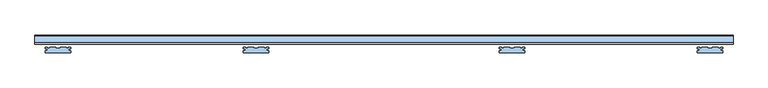
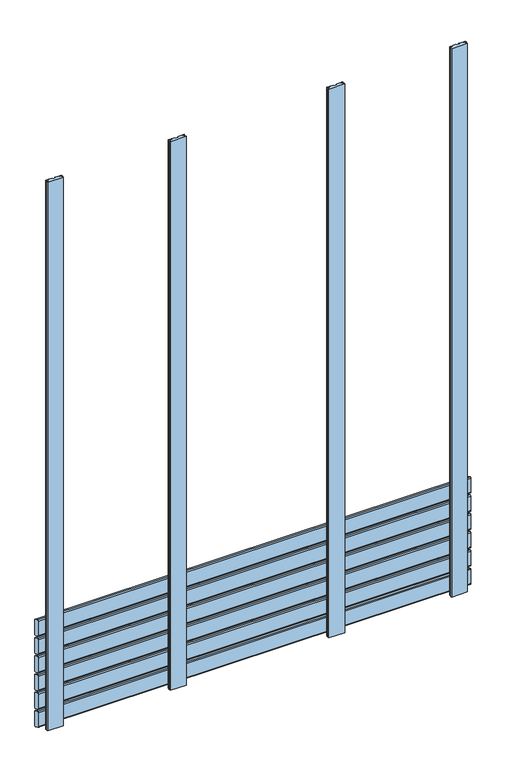
"""IFC4 building model written with IfcOpenShell, lengths in millimetres: window geometry."""

from ifc_helpers import new_model, si_unit, frame, origin, place, context, project, spatial, polyline, circle_curve, outline, extrude, source, transform, mapped, element, save
from ifc_brep_helpers import plane_surface, cylinder_surface, advanced_brep


def window_051f3a6d(model_context):
    return source(origin(), model_context, "Body", "SolidModel", [
        advanced_brep(
        [(750.0, 118.0028013, 446.5270549), (750.0, 119.7349465, 443.8081315), (750.0, 133.7322609, 437.2810766), (750.0, 138.0, 439.9736586), (750.0, 138.0, 492.574129), (750.0, 136.9038327, 494.8926244), (750.0, 122.1873858, 501.7550163), (750.0, 118.0, 499.0), (-750.0, 118.0, 446.5270549), (-750.0, 118.0, 499.0), (-750.0, 122.1873858, 501.7550163), (-750.0, 136.9038327, 494.8926244), (-750.0, 138.0, 492.574129), (-750.0, 138.0, 439.9736586), (-750.0, 133.7322609, 437.2810766), (-750.0, 119.7349465, 443.8081315)],
        [
            (0, 1, circle_curve(frame((750.0, 121.0028013, 446.5270549), z_axis=(1.0, 0.0, 0.0), x_axis=(0.0, -0.422245314833475, -0.9064816016341312)), 3.0)),
            (1, 2),
            (2, 3, circle_curve(frame((750.0, 135.0001156, 440.0), z_axis=(1.0, 0.0, 0.0), x_axis=(0.0, 1.0, 0.0)), 3.0)),
            (3, 4),
            (4, 5, circle_curve(frame((750.0, 135.0, 492.574129), z_axis=(1.0, 0.0, 0.0), x_axis=(0.0, 0.4172998244673827, 0.908768868579625)), 3.0)),
            (5, 6),
            (6, 7, circle_curve(frame((750.0, 121.0, 499.0), z_axis=(1.0, 0.0, 0.0), x_axis=(0.0, -1.0, 0.0)), 3.0)),
            (7, 0),
            (8, 9),
            (9, 10, circle_curve(frame((-750.0, 121.0, 499.0), z_axis=(-1.0, 0.0, 0.0), x_axis=(0.0, -1.0, 0.0)), 3.0)),
            (10, 11),
            (11, 12, circle_curve(frame((-750.0, 135.0, 492.574129), z_axis=(-1.0, 0.0, 0.0), x_axis=(0.0, 0.4172998244673827, 0.908768868579625)), 3.0)),
            (12, 13),
            (13, 14, circle_curve(frame((-750.0, 135.0001156, 440.0), z_axis=(-1.0, 0.0, 0.0), x_axis=(0.0, 1.0, 0.0)), 3.0)),
            (14, 15),
            (15, 8, circle_curve(frame((-750.0, 121.0028013, 446.5270549), z_axis=(-1.0, 0.0, 0.0), x_axis=(0.0, -0.422245314833475, -0.9064816016341312)), 3.0)),
            (0, 8),
            (15, 1),
            (14, 2),
            (13, 3),
            (12, 4),
            (11, 5),
            (10, 6),
            (9, 7),
        ],
        [
            plane_surface(frame((750.0, 100.0, 469.5), z_axis=(1.0, 0.0, 0.0), x_axis=(0.0, 0.0, 1.0))),
            plane_surface(frame((-750.0, 100.0, 469.5), z_axis=(-1.0, 0.0, 0.0), x_axis=(0.0, 0.0, 1.0))),
            cylinder_surface(frame((750.0, 121.0028013, 446.5270549), z_axis=(1.0, 0.0, 0.0), x_axis=(0.0, -0.422245314833475, -0.9064816016341312)), 3.0),
            plane_surface(frame((750.0, 119.7349465, 443.8081315), z_axis=(0.0, -0.4226182617407, -0.9063077870366497), x_axis=(-1.0, 0.0, 0.0))),
            cylinder_surface(frame((750.0, 135.0001156, 440.0), z_axis=(1.0, 0.0, 0.0), x_axis=(0.0, 1.0, 0.0)), 3.0),
            plane_surface(frame((750.0, 138.0, 439.9736586), z_axis=(0.0, 1.0, 0.0), x_axis=(-1.0, 0.0, 0.0))),
            cylinder_surface(frame((750.0, 135.0, 492.574129), z_axis=(1.0000000000000002, 0.0, 0.0), x_axis=(0.0, 0.4172998244673827, 0.908768868579625)), 3.0),
            plane_surface(frame((750.0, 136.9038327, 494.8926244), z_axis=(0.0, 0.4226182617406934, 0.9063077870366529), x_axis=(-1.0, 0.0, 0.0))),
            cylinder_surface(frame((750.0, 121.0, 499.0), z_axis=(1.0, 0.0, 0.0), x_axis=(0.0, -1.0, 0.0)), 3.0),
            plane_surface(frame((750.0, 118.0, 499.0), z_axis=(0.0, -1.0, 0.0), x_axis=(-1.0, 0.0, 0.0))),
        ],
        [
            (0, [[1, 2, 3, 4, 5, 6, 7, 8]]),
            (1, [[9, 10, 11, 12, 13, 14, 15, 16]]),
            (2, [[-1, 17, -16, 18]]),
            (3, [[-2, -18, -15, 19]]),
            (4, [[-3, -19, -14, 20]]),
            (5, [[-4, -20, -13, 21]]),
            (6, [[-5, -21, -12, 22]]),
            (7, [[-6, -22, -11, 23]]),
            (8, [[-7, -23, -10, 24]]),
            (9, [[-8, -24, -9, -17]]),
        ],
    ),
        advanced_brep(
        [(750.0, 118.0028013, 379.5270549), (750.0, 119.7349465, 376.8081315), (750.0, 133.7322609, 370.2810766), (750.0, 138.0, 372.9736586), (750.0, 138.0, 425.574129), (750.0, 136.9038327, 427.8926244), (750.0, 122.1873858, 434.7550163), (750.0, 118.0, 432.0), (-750.0, 118.0, 379.5270549), (-750.0, 118.0, 432.0), (-750.0, 122.1873858, 434.7550163), (-750.0, 136.9038327, 427.8926244), (-750.0, 138.0, 425.574129), (-750.0, 138.0, 372.9736586), (-750.0, 133.7322609, 370.2810766), (-750.0, 119.7349465, 376.8081315)],
        [
            (0, 1, circle_curve(frame((750.0, 121.0028013, 379.5270549), z_axis=(1.0, 0.0, 0.0), x_axis=(0.0, -0.422245314833475, -0.9064816016341312)), 3.0)),
            (1, 2),
            (2, 3, circle_curve(frame((750.0, 135.0001156, 373.0), z_axis=(1.0, 0.0, 0.0), x_axis=(0.0, 1.0, 0.0)), 3.0)),
            (3, 4),
            (4, 5, circle_curve(frame((750.0, 135.0, 425.574129), z_axis=(1.0, 0.0, 0.0), x_axis=(0.0, 0.4172998244673827, 0.908768868579625)), 3.0)),
            (5, 6),
            (6, 7, circle_curve(frame((750.0, 121.0, 432.0), z_axis=(1.0, 0.0, 0.0), x_axis=(0.0, -1.0, 0.0)), 3.0)),
            (7, 0),
            (8, 9),
            (9, 10, circle_curve(frame((-750.0, 121.0, 432.0), z_axis=(-1.0, 0.0, 0.0), x_axis=(0.0, -1.0, 0.0)), 3.0)),
            (10, 11),
            (11, 12, circle_curve(frame((-750.0, 135.0, 425.574129), z_axis=(-1.0, 0.0, 0.0), x_axis=(0.0, 0.4172998244673827, 0.908768868579625)), 3.0)),
            (12, 13),
            (13, 14, circle_curve(frame((-750.0, 135.0001156, 373.0), z_axis=(-1.0, 0.0, 0.0), x_axis=(0.0, 1.0, 0.0)), 3.0)),
            (14, 15),
            (15, 8, circle_curve(frame((-750.0, 121.0028013, 379.5270549), z_axis=(-1.0, 0.0, 0.0), x_axis=(0.0, -0.422245314833475, -0.9064816016341312)), 3.0)),
            (0, 8),
            (15, 1),
            (14, 2),
            (13, 3),
            (12, 4),
            (11, 5),
            (10, 6),
            (9, 7),
        ],
        [
            plane_surface(frame((750.0, 100.0, 402.5), z_axis=(1.0, 0.0, 0.0), x_axis=(0.0, 0.0, 1.0))),
            plane_surface(frame((-750.0, 100.0, 402.5), z_axis=(-1.0, 0.0, 0.0), x_axis=(0.0, 0.0, 1.0))),
            cylinder_surface(frame((750.0, 121.0028013, 379.5270549), z_axis=(1.0, 0.0, 0.0), x_axis=(0.0, -0.422245314833475, -0.9064816016341312)), 3.0),
            plane_surface(frame((750.0, 119.7349465, 376.8081315), z_axis=(0.0, -0.4226182617407, -0.9063077870366497), x_axis=(-1.0, 0.0, 0.0))),
            cylinder_surface(frame((750.0, 135.0001156, 373.0), z_axis=(1.0, 0.0, 0.0), x_axis=(0.0, 1.0, 0.0)), 3.0),
            plane_surface(frame((750.0, 138.0, 372.9736586), z_axis=(0.0, 1.0, 0.0), x_axis=(-1.0, 0.0, 0.0))),
            cylinder_surface(frame((750.0, 135.0, 425.574129), z_axis=(1.0000000000000002, 0.0, 0.0), x_axis=(0.0, 0.4172998244673827, 0.908768868579625)), 3.0),
            plane_surface(frame((750.0, 136.9038327, 427.8926244), z_axis=(0.0, 0.4226182617406934, 0.9063077870366529), x_axis=(-1.0, 0.0, 0.0))),
            cylinder_surface(frame((750.0, 121.0, 432.0), z_axis=(1.0, 0.0, 0.0), x_axis=(0.0, -1.0, 0.0)), 3.0),
            plane_surface(frame((750.0, 118.0, 432.0), z_axis=(0.0, -1.0, 0.0), x_axis=(-1.0, 0.0, 0.0))),
        ],
        [
            (0, [[1, 2, 3, 4, 5, 6, 7, 8]]),
            (1, [[9, 10, 11, 12, 13, 14, 15, 16]]),
            (2, [[-1, 17, -16, 18]]),
            (3, [[-2, -18, -15, 19]]),
            (4, [[-3, -19, -14, 20]]),
            (5, [[-4, -20, -13, 21]]),
            (6, [[-5, -21, -12, 22]]),
            (7, [[-6, -22, -11, 23]]),
            (8, [[-7, -23, -10, 24]]),
            (9, [[-8, -24, -9, -17]]),
        ],
    ),
        advanced_brep(
        [(750.0, 118.0028013, 312.5270549), (750.0, 119.7349465, 309.8081315), (750.0, 133.7322609, 303.2810766), (750.0, 138.0, 305.9736586), (750.0, 138.0, 358.574129), (750.0, 136.9038327, 360.8926244), (750.0, 122.1873858, 367.7550163), (750.0, 118.0, 365.0), (-750.0, 118.0, 312.5270549), (-750.0, 118.0, 365.0), (-750.0, 122.1873858, 367.7550163), (-750.0, 136.9038327, 360.8926244), (-750.0, 138.0, 358.574129), (-750.0, 138.0, 305.9736586), (-750.0, 133.7322609, 303.2810766), (-750.0, 119.7349465, 309.8081315)],
        [
            (0, 1, circle_curve(frame((750.0, 121.0028013, 312.5270549), z_axis=(1.0, 0.0, 0.0), x_axis=(0.0, -0.422245314833475, -0.9064816016341312)), 3.0)),
            (1, 2),
            (2, 3, circle_curve(frame((750.0, 135.0001156, 306.0), z_axis=(1.0, 0.0, 0.0), x_axis=(0.0, 1.0, 0.0)), 3.0)),
            (3, 4),
            (4, 5, circle_curve(frame((750.0, 135.0, 358.574129), z_axis=(1.0, 0.0, 0.0), x_axis=(0.0, 0.4172998244673827, 0.908768868579625)), 3.0)),
            (5, 6),
            (6, 7, circle_curve(frame((750.0, 121.0, 365.0), z_axis=(1.0, 0.0, 0.0), x_axis=(0.0, -1.0, 0.0)), 3.0)),
            (7, 0),
            (8, 9),
            (9, 10, circle_curve(frame((-750.0, 121.0, 365.0), z_axis=(-1.0, 0.0, 0.0), x_axis=(0.0, -1.0, 0.0)), 3.0)),
            (10, 11),
            (11, 12, circle_curve(frame((-750.0, 135.0, 358.574129), z_axis=(-1.0, 0.0, 0.0), x_axis=(0.0, 0.4172998244673827, 0.908768868579625)), 3.0)),
            (12, 13),
            (13, 14, circle_curve(frame((-750.0, 135.0001156, 306.0), z_axis=(-1.0, 0.0, 0.0), x_axis=(0.0, 1.0, 0.0)), 3.0)),
            (14, 15),
            (15, 8, circle_curve(frame((-750.0, 121.0028013, 312.5270549), z_axis=(-1.0, 0.0, 0.0), x_axis=(0.0, -0.422245314833475, -0.9064816016341312)), 3.0)),
            (0, 8),
            (15, 1),
            (14, 2),
            (13, 3),
            (12, 4),
            (11, 5),
            (10, 6),
            (9, 7),
        ],
        [
            plane_surface(frame((750.0, 100.0, 335.5), z_axis=(1.0, 0.0, 0.0), x_axis=(0.0, 0.0, 1.0))),
            plane_surface(frame((-750.0, 100.0, 335.5), z_axis=(-1.0, 0.0, 0.0), x_axis=(0.0, 0.0, 1.0))),
            cylinder_surface(frame((750.0, 121.0028013, 312.5270549), z_axis=(1.0, 0.0, 0.0), x_axis=(0.0, -0.422245314833475, -0.9064816016341312)), 3.0),
            plane_surface(frame((750.0, 119.7349465, 309.8081315), z_axis=(0.0, -0.4226182617407, -0.9063077870366497), x_axis=(-1.0, 0.0, 0.0))),
            cylinder_surface(frame((750.0, 135.0001156, 306.0), z_axis=(1.0, 0.0, 0.0), x_axis=(0.0, 1.0, 0.0)), 3.0),
            plane_surface(frame((750.0, 138.0, 305.9736586), z_axis=(0.0, 1.0, 0.0), x_axis=(-1.0, 0.0, 0.0))),
            cylinder_surface(frame((750.0, 135.0, 358.574129), z_axis=(1.0000000000000002, 0.0, 0.0), x_axis=(0.0, 0.4172998244673827, 0.908768868579625)), 3.0),
            plane_surface(frame((750.0, 136.9038327, 360.8926244), z_axis=(0.0, 0.4226182617406934, 0.9063077870366529), x_axis=(-1.0, 0.0, 0.0))),
            cylinder_surface(frame((750.0, 121.0, 365.0), z_axis=(1.0, 0.0, 0.0), x_axis=(0.0, -1.0, 0.0)), 3.0),
            plane_surface(frame((750.0, 118.0, 365.0), z_axis=(0.0, -1.0, 0.0), x_axis=(-1.0, 0.0, 0.0))),
        ],
        [
            (0, [[1, 2, 3, 4, 5, 6, 7, 8]]),
            (1, [[9, 10, 11, 12, 13, 14, 15, 16]]),
            (2, [[-1, 17, -16, 18]]),
            (3, [[-2, -18, -15, 19]]),
            (4, [[-3, -19, -14, 20]]),
            (5, [[-4, -20, -13, 21]]),
            (6, [[-5, -21, -12, 22]]),
            (7, [[-6, -22, -11, 23]]),
            (8, [[-7, -23, -10, 24]]),
            (9, [[-8, -24, -9, -17]]),
        ],
    ),
        advanced_brep(
        [(750.0, 118.0028013, 245.5270549), (750.0, 119.7349465, 242.8081315), (750.0, 133.7322609, 236.2810766), (750.0, 138.0, 238.9736586), (750.0, 138.0, 291.574129), (750.0, 136.9038327, 293.8926244), (750.0, 122.1873858, 300.7550163), (750.0, 118.0, 298.0), (-750.0, 118.0, 245.5270549), (-750.0, 118.0, 298.0), (-750.0, 122.1873858, 300.7550163), (-750.0, 136.9038327, 293.8926244), (-750.0, 138.0, 291.574129), (-750.0, 138.0, 238.9736586), (-750.0, 133.7322609, 236.2810766), (-750.0, 119.7349465, 242.8081315)],
        [
            (0, 1, circle_curve(frame((750.0, 121.0028013, 245.5270549), z_axis=(1.0, 0.0, 0.0), x_axis=(0.0, -0.422245314833475, -0.9064816016341312)), 3.0)),
            (1, 2),
            (2, 3, circle_curve(frame((750.0, 135.0001156, 239.0), z_axis=(1.0, 0.0, 0.0), x_axis=(0.0, 1.0, 0.0)), 3.0)),
            (3, 4),
            (4, 5, circle_curve(frame((750.0, 135.0, 291.574129), z_axis=(1.0, 0.0, 0.0), x_axis=(0.0, 0.4172998244673827, 0.908768868579625)), 3.0)),
            (5, 6),
            (6, 7, circle_curve(frame((750.0, 121.0, 298.0), z_axis=(1.0, 0.0, 0.0), x_axis=(0.0, -1.0, 0.0)), 3.0)),
            (7, 0),
            (8, 9),
            (9, 10, circle_curve(frame((-750.0, 121.0, 298.0), z_axis=(-1.0, 0.0, 0.0), x_axis=(0.0, -1.0, 0.0)), 3.0)),
            (10, 11),
            (11, 12, circle_curve(frame((-750.0, 135.0, 291.574129), z_axis=(-1.0, 0.0, 0.0), x_axis=(0.0, 0.4172998244673827, 0.908768868579625)), 3.0)),
            (12, 13),
            (13, 14, circle_curve(frame((-750.0, 135.0001156, 239.0), z_axis=(-1.0, 0.0, 0.0), x_axis=(0.0, 1.0, 0.0)), 3.0)),
            (14, 15),
            (15, 8, circle_curve(frame((-750.0, 121.0028013, 245.5270549), z_axis=(-1.0, 0.0, 0.0), x_axis=(0.0, -0.422245314833475, -0.9064816016341312)), 3.0)),
            (0, 8),
            (15, 1),
            (14, 2),
            (13, 3),
            (12, 4),
            (11, 5),
            (10, 6),
            (9, 7),
        ],
        [
            plane_surface(frame((750.0, 100.0, 268.5), z_axis=(1.0, 0.0, 0.0), x_axis=(0.0, 0.0, 1.0))),
            plane_surface(frame((-750.0, 100.0, 268.5), z_axis=(-1.0, 0.0, 0.0), x_axis=(0.0, 0.0, 1.0))),
            cylinder_surface(frame((750.0, 121.0028013, 245.5270549), z_axis=(1.0, 0.0, 0.0), x_axis=(0.0, -0.422245314833475, -0.9064816016341312)), 3.0),
            plane_surface(frame((750.0, 119.7349465, 242.8081315), z_axis=(0.0, -0.4226182617407, -0.9063077870366497), x_axis=(-1.0, 0.0, 0.0))),
            cylinder_surface(frame((750.0, 135.0001156, 239.0), z_axis=(1.0, 0.0, 0.0), x_axis=(0.0, 1.0, 0.0)), 3.0),
            plane_surface(frame((750.0, 138.0, 238.9736586), z_axis=(0.0, 1.0, 0.0), x_axis=(-1.0, 0.0, 0.0))),
            cylinder_surface(frame((750.0, 135.0, 291.574129), z_axis=(1.0000000000000002, 0.0, 0.0), x_axis=(0.0, 0.4172998244673827, 0.908768868579625)), 3.0),
            plane_surface(frame((750.0, 136.9038327, 293.8926244), z_axis=(0.0, 0.4226182617406934, 0.9063077870366529), x_axis=(-1.0, 0.0, 0.0))),
            cylinder_surface(frame((750.0, 121.0, 298.0), z_axis=(1.0, 0.0, 0.0), x_axis=(0.0, -1.0, 0.0)), 3.0),
            plane_surface(frame((750.0, 118.0, 298.0), z_axis=(0.0, -1.0, 0.0), x_axis=(-1.0, 0.0, 0.0))),
        ],
        [
            (0, [[1, 2, 3, 4, 5, 6, 7, 8]]),
            (1, [[9, 10, 11, 12, 13, 14, 15, 16]]),
            (2, [[-1, 17, -16, 18]]),
            (3, [[-2, -18, -15, 19]]),
            (4, [[-3, -19, -14, 20]]),
            (5, [[-4, -20, -13, 21]]),
            (6, [[-5, -21, -12, 22]]),
            (7, [[-6, -22, -11, 23]]),
            (8, [[-7, -23, -10, 24]]),
            (9, [[-8, -24, -9, -17]]),
        ],
    ),
        advanced_brep(
        [(750.0, 118.0028013, 178.5270549), (750.0, 119.7349465, 175.8081315), (750.0, 133.7322609, 169.2810766), (750.0, 138.0, 171.9736586), (750.0, 138.0, 224.574129), (750.0, 136.9038327, 226.8926244), (750.0, 122.1873858, 233.7550163), (750.0, 118.0, 231.0), (-750.0, 118.0, 178.5270549), (-750.0, 118.0, 231.0), (-750.0, 122.1873858, 233.7550163), (-750.0, 136.9038327, 226.8926244), (-750.0, 138.0, 224.574129), (-750.0, 138.0, 171.9736586), (-750.0, 133.7322609, 169.2810766), (-750.0, 119.7349465, 175.8081315)],
        [
            (0, 1, circle_curve(frame((750.0, 121.0028013, 178.5270549), z_axis=(1.0, 0.0, 0.0), x_axis=(0.0, -0.422245314833475, -0.9064816016341312)), 3.0)),
            (1, 2),
            (2, 3, circle_curve(frame((750.0, 135.0001156, 172.0), z_axis=(1.0, 0.0, 0.0), x_axis=(0.0, 1.0, 0.0)), 3.0)),
            (3, 4),
            (4, 5, circle_curve(frame((750.0, 135.0, 224.574129), z_axis=(1.0, 0.0, 0.0), x_axis=(0.0, 0.4172998244673827, 0.908768868579625)), 3.0)),
            (5, 6),
            (6, 7, circle_curve(frame((750.0, 121.0, 231.0), z_axis=(1.0, 0.0, 0.0), x_axis=(0.0, -1.0, 0.0)), 3.0)),
            (7, 0),
            (8, 9),
            (9, 10, circle_curve(frame((-750.0, 121.0, 231.0), z_axis=(-1.0, 0.0, 0.0), x_axis=(0.0, -1.0, 0.0)), 3.0)),
            (10, 11),
            (11, 12, circle_curve(frame((-750.0, 135.0, 224.574129), z_axis=(-1.0, 0.0, 0.0), x_axis=(0.0, 0.4172998244673827, 0.908768868579625)), 3.0)),
            (12, 13),
            (13, 14, circle_curve(frame((-750.0, 135.0001156, 172.0), z_axis=(-1.0, 0.0, 0.0), x_axis=(0.0, 1.0, 0.0)), 3.0)),
            (14, 15),
            (15, 8, circle_curve(frame((-750.0, 121.0028013, 178.5270549), z_axis=(-1.0, 0.0, 0.0), x_axis=(0.0, -0.422245314833475, -0.9064816016341312)), 3.0)),
            (0, 8),
            (15, 1),
            (14, 2),
            (13, 3),
            (12, 4),
            (11, 5),
            (10, 6),
            (9, 7),
        ],
        [
            plane_surface(frame((750.0, 100.0, 201.5), z_axis=(1.0, 0.0, 0.0), x_axis=(0.0, 0.0, 1.0))),
            plane_surface(frame((-750.0, 100.0, 201.5), z_axis=(-1.0, 0.0, 0.0), x_axis=(0.0, 0.0, 1.0))),
            cylinder_surface(frame((750.0, 121.0028013, 178.5270549), z_axis=(1.0, 0.0, 0.0), x_axis=(0.0, -0.422245314833475, -0.9064816016341312)), 3.0),
            plane_surface(frame((750.0, 119.7349465, 175.8081315), z_axis=(0.0, -0.4226182617407, -0.9063077870366497), x_axis=(-1.0, 0.0, 0.0))),
            cylinder_surface(frame((750.0, 135.0001156, 172.0), z_axis=(1.0, 0.0, 0.0), x_axis=(0.0, 1.0, 0.0)), 3.0),
            plane_surface(frame((750.0, 138.0, 171.9736586), z_axis=(0.0, 1.0, 0.0), x_axis=(-1.0, 0.0, 0.0))),
            cylinder_surface(frame((750.0, 135.0, 224.574129), z_axis=(1.0000000000000002, 0.0, 0.0), x_axis=(0.0, 0.4172998244673827, 0.908768868579625)), 3.0),
            plane_surface(frame((750.0, 136.9038327, 226.8926244), z_axis=(0.0, 0.4226182617406934, 0.9063077870366529), x_axis=(-1.0, 0.0, 0.0))),
            cylinder_surface(frame((750.0, 121.0, 231.0), z_axis=(1.0, 0.0, 0.0), x_axis=(0.0, -1.0, 0.0)), 3.0),
            plane_surface(frame((750.0, 118.0, 231.0), z_axis=(0.0, -1.0, 0.0), x_axis=(-1.0, 0.0, 0.0))),
        ],
        [
            (0, [[1, 2, 3, 4, 5, 6, 7, 8]]),
            (1, [[9, 10, 11, 12, 13, 14, 15, 16]]),
            (2, [[-1, 17, -16, 18]]),
            (3, [[-2, -18, -15, 19]]),
            (4, [[-3, -19, -14, 20]]),
            (5, [[-4, -20, -13, 21]]),
            (6, [[-5, -21, -12, 22]]),
            (7, [[-6, -22, -11, 23]]),
            (8, [[-7, -23, -10, 24]]),
            (9, [[-8, -24, -9, -17]]),
        ],
    ),
        advanced_brep(
        [(750.0, 118.0028013, 111.5270549), (750.0, 119.7349465, 108.8081315), (750.0, 133.7322609, 102.2810766), (750.0, 138.0, 104.9736586), (750.0, 138.0, 157.574129), (750.0, 136.9038327, 159.8926244), (750.0, 122.1873858, 166.7550163), (750.0, 118.0, 164.0), (-750.0, 118.0, 111.5270549), (-750.0, 118.0, 164.0), (-750.0, 122.1873858, 166.7550163), (-750.0, 136.9038327, 159.8926244), (-750.0, 138.0, 157.574129), (-750.0, 138.0, 104.9736586), (-750.0, 133.7322609, 102.2810766), (-750.0, 119.7349465, 108.8081315)],
        [
            (0, 1, circle_curve(frame((750.0, 121.0028013, 111.5270549), z_axis=(1.0, 0.0, 0.0), x_axis=(0.0, -0.422245314833475, -0.9064816016341312)), 3.0)),
            (1, 2),
            (2, 3, circle_curve(frame((750.0, 135.0001156, 105.0), z_axis=(1.0, 0.0, 0.0), x_axis=(0.0, 1.0, 0.0)), 3.0)),
            (3, 4),
            (4, 5, circle_curve(frame((750.0, 135.0, 157.574129), z_axis=(1.0, 0.0, 0.0), x_axis=(0.0, 0.4172998244673827, 0.908768868579625)), 3.0)),
            (5, 6),
            (6, 7, circle_curve(frame((750.0, 121.0, 164.0), z_axis=(1.0, 0.0, 0.0), x_axis=(0.0, -1.0, 0.0)), 3.0)),
            (7, 0),
            (8, 9),
            (9, 10, circle_curve(frame((-750.0, 121.0, 164.0), z_axis=(-1.0, 0.0, 0.0), x_axis=(0.0, -1.0, 0.0)), 3.0)),
            (10, 11),
            (11, 12, circle_curve(frame((-750.0, 135.0, 157.574129), z_axis=(-1.0, 0.0, 0.0), x_axis=(0.0, 0.4172998244673827, 0.908768868579625)), 3.0)),
            (12, 13),
            (13, 14, circle_curve(frame((-750.0, 135.0001156, 105.0), z_axis=(-1.0, 0.0, 0.0), x_axis=(0.0, 1.0, 0.0)), 3.0)),
            (14, 15),
            (15, 8, circle_curve(frame((-750.0, 121.0028013, 111.5270549), z_axis=(-1.0, 0.0, 0.0), x_axis=(0.0, -0.422245314833475, -0.9064816016341312)), 3.0)),
            (0, 8),
            (15, 1),
            (14, 2),
            (13, 3),
            (12, 4),
            (11, 5),
            (10, 6),
            (9, 7),
        ],
        [
            plane_surface(frame((750.0, 100.0, 100.0), z_axis=(1.0, 0.0, 0.0), x_axis=(0.0, 0.0, 1.0))),
            plane_surface(frame((-750.0, 100.0, 100.0), z_axis=(-1.0, 0.0, 0.0), x_axis=(0.0, 0.0, 1.0))),
            cylinder_surface(frame((750.0, 121.0028013, 111.5270549), z_axis=(1.0, 0.0, 0.0), x_axis=(0.0, -0.422245314833475, -0.9064816016341312)), 3.0),
            plane_surface(frame((750.0, 119.7349465, 108.8081315), z_axis=(0.0, -0.4226182617407, -0.9063077870366497), x_axis=(-1.0, 0.0, 0.0))),
            cylinder_surface(frame((750.0, 135.0001156, 105.0), z_axis=(1.0, 0.0, 0.0), x_axis=(0.0, 1.0, 0.0)), 3.0),
            plane_surface(frame((750.0, 138.0, 104.9736586), z_axis=(0.0, 1.0, 0.0), x_axis=(-1.0, 0.0, 0.0))),
            cylinder_surface(frame((750.0, 135.0, 157.574129), z_axis=(1.0000000000000002, 0.0, 0.0), x_axis=(0.0, 0.4172998244673827, 0.908768868579625)), 3.0),
            plane_surface(frame((750.0, 136.9038327, 159.8926244), z_axis=(0.0, 0.4226182617406934, 0.9063077870366529), x_axis=(-1.0, 0.0, 0.0))),
            cylinder_surface(frame((750.0, 121.0, 164.0), z_axis=(1.0, 0.0, 0.0), x_axis=(0.0, -1.0, 0.0)), 3.0),
            plane_surface(frame((750.0, 118.0, 164.0), z_axis=(0.0, -1.0, 0.0), x_axis=(-1.0, 0.0, 0.0))),
        ],
        [
            (0, [[1, 2, 3, 4, 5, 6, 7, 8]]),
            (1, [[9, 10, 11, 12, 13, 14, 15, 16]]),
            (2, [[-1, 17, -16, 18]]),
            (3, [[-2, -18, -15, 19]]),
            (4, [[-3, -19, -14, 20]]),
            (5, [[-4, -20, -13, 21]]),
            (6, [[-5, -21, -12, 22]]),
            (7, [[-6, -22, -11, 23]]),
            (8, [[-7, -23, -10, 24]]),
            (9, [[-8, -24, -9, -17]]),
        ],
    ),
        extrude(outline(polyline([(-302.5063196, 100.0), (-302.5063196, 104.0), (-298.5063196, 104.0), (-298.5063196, 108.0), (-302.5063196, 108.0), (-302.5063196, 112.0), (-297.5063196, 112.0), (-297.5063196, 109.0), (-292.5063196, 109.0), (-292.5063196, 112.0), (-280.0063196, 112.0), (-280.0063196, 109.0), (-270.0063196, 109.0), (-270.0063196, 112.0), (-257.5063196, 112.0), (-257.5063196, 109.0), (-252.5063196, 109.0), (-252.5063196, 112.0), (-247.5063196, 112.0), (-247.5063196, 108.0), (-251.5063196, 108.0), (-251.5063196, 104.0), (-247.5063196, 104.0), (-247.5063196, 100.0), (-302.5063196, 100.0)])), frame((0.0, 0.0, 100.0), z_axis=(0.0, 0.0, 1.0), x_axis=(1.0, 0.0, 0.0)), (0.0, 0.0, 1.0), 2012.0),
        extrude(outline(polyline([(247.4936804, 100.0), (247.4936804, 104.0), (251.4936804, 104.0), (251.4936804, 108.0), (247.4936804, 108.0), (247.4936804, 112.0), (252.4936804, 112.0), (252.4936804, 109.0), (257.4936804, 109.0), (257.4936804, 112.0), (269.9936804, 112.0), (269.9936804, 109.0), (279.9936804, 109.0), (279.9936804, 112.0), (292.4936804, 112.0), (292.4936804, 109.0), (297.4936804, 109.0), (297.4936804, 112.0), (302.4936804, 112.0), (302.4936804, 108.0), (298.4936804, 108.0), (298.4936804, 104.0), (302.4936804, 104.0), (302.4936804, 100.0), (247.4936804, 100.0)])), frame((0.0, 0.0, 100.0), z_axis=(0.0, 0.0, 1.0), x_axis=(1.0, 0.0, 0.0)), (0.0, 0.0, 1.0), 2012.0),
        extrude(outline(polyline([(-728.0, 100.0), (-728.0, 104.0), (-724.0, 104.0), (-724.0, 108.0), (-728.0, 108.0), (-728.0, 112.0), (-723.0, 112.0), (-723.0, 109.0), (-718.0, 109.0), (-718.0, 112.0), (-705.5, 112.0), (-705.5, 109.0), (-695.5, 109.0), (-695.5, 112.0), (-683.0, 112.0), (-683.0, 109.0), (-678.0, 109.0), (-678.0, 112.0), (-673.0, 112.0), (-673.0, 108.0), (-677.0, 108.0), (-677.0, 104.0), (-673.0, 104.0), (-673.0, 100.0), (-728.0, 100.0)])), frame((0.0, 0.0, 100.0), z_axis=(0.0, 0.0, 1.0), x_axis=(1.0, 0.0, 0.0)), (0.0, 0.0, 1.0), 2012.0),
        extrude(outline(polyline([(673.0, 100.0), (673.0, 104.0), (677.0, 104.0), (677.0, 108.0), (673.0, 108.0), (673.0, 112.0), (678.0, 112.0), (678.0, 109.0), (683.0, 109.0), (683.0, 112.0), (695.5, 112.0), (695.5, 109.0), (705.5, 109.0), (705.5, 112.0), (718.0, 112.0), (718.0, 109.0), (723.0, 109.0), (723.0, 112.0), (728.0, 112.0), (728.0, 108.0), (724.0, 108.0), (724.0, 104.0), (728.0, 104.0), (728.0, 100.0), (673.0, 100.0)])), frame((0.0, 0.0, 100.0), z_axis=(0.0, 0.0, 1.0), x_axis=(1.0, 0.0, 0.0)), (0.0, 0.0, 1.0), 2012.0),
    ])


if __name__ == "__main__":
    model = new_model("IFC4")
    model_context = context("Model", 3, world=origin())
    ifc_project = project(units=[si_unit("LENGTHUNIT", "METRE", prefix="MILLI")], contexts=[model_context])
    site = spatial("IfcSite", under=ifc_project)
    building = spatial("IfcBuilding", under=site)
    placement = place(None, origin())
    window_shape = window_051f3a6d(model_context)
    element("IfcWindow", 1, at=placement, inside=building, context=model_context, shape_type="MappedRepresentation", body=[
        mapped(window_shape, transform((0.0, 0.0, 0.0), x_axis=(1.0, 0.0, 0.0), y_axis=(0.0, 1.0, 0.0), z_axis=(0.0, 0.0, 1.0))),
    ])
    save(model, "model.ifc")
